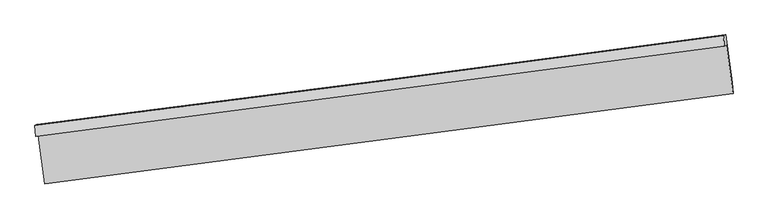
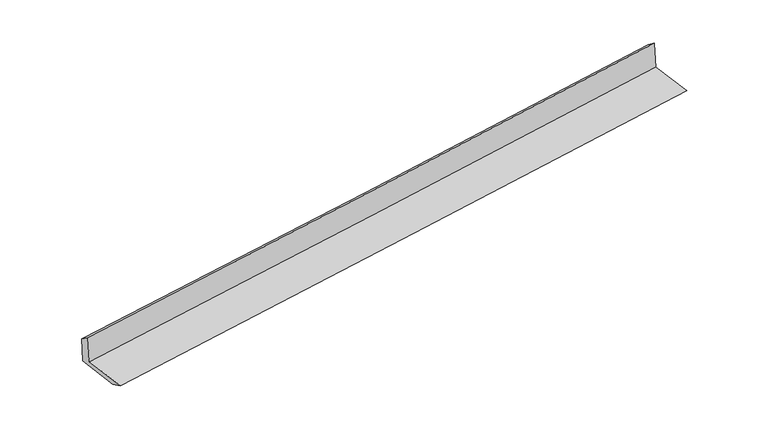
"""IFC4 building model written with IfcOpenShell, lengths in millimetres: proxy geometry."""

from ifc_helpers import new_model, si_unit, frame, origin, place, context, project, spatial, source, transform, mapped, element, save
from ifc_brep_helpers import plane_surface, spline_curve, spline_surface, advanced_brep


def generic_models_030cd66f(model_context):
    return source(origin(), model_context, "Body", "AdvancedBrep", [
        advanced_brep(
        [(-4755.9127778, -2130.1048544, 1911.5465388), (-4725.2308348, -2115.0888086, 1505.3263016), (4692.27904, -876.5990817, 2252.3796302), (4661.5970969, -891.6151276, 2658.5998674), (-4767.5070482, -1979.9688219, 1808.2707326), (4651.3373613, -751.3860911, 2555.058644), (-4739.1598555, -1966.0954259, 1432.9619288), (4679.684554, -737.5126952, 2179.7498403), (-4651.9385594, -2613.587805, 1415.6150422), (4768.2403848, -1394.9120703, 2162.1375366), (-4635.8362985, -2778.7143632, 1487.5471931), (4781.6735763, -1540.2246363, 2234.6005217)],
        [
            (0, 1),
            (1, 2, spline_curve(3, [(-4725.2308348, -2115.0888086, 1505.3263016), (-3159.403143505, -1912.439030235, 1626.071851132), (-1593.914841304, -1708.202979917, 1748.518222721), (1545.258976729, -1295.391114008, 1997.516653528), (3118.940633592, -1086.797254889, 2124.088057868), (4692.27904, -876.5990817, 2252.3796302)], [4, 2, 4], [0.0, 15.585629245449455, 31.259644934351265])),
            (2, 3),
            (3, 0, spline_curve(3, [(4661.5970969, -891.6151276, 2658.5998674), (3088.258690492, -1101.813300789, 2530.308295068), (1514.577033729, -1310.407159808, 2403.736890828), (-1624.596784304, -1723.219025717, 2154.738460021), (-3190.085086505, -1927.455076035, 2032.292088332), (-4755.9127778, -2130.1048544, 1911.5465388)], [4, 2, 4], [0.0, 15.67401568890181, 31.259644934351265])),
            (4, 0),
            (3, 5),
            (5, 4, spline_curve(3, [(4651.3373613, -751.3860911, 2555.058644), (3078.223270995, -963.2494892, 2426.722458572), (1504.541614432, -1171.843348076, 2300.151054317), (-1635.079571477, -1581.334154922, 2051.241598158), (-3201.012718316, -1782.267872718, 1928.883698389), (-4767.5070482, -1979.9688219, 1808.2707326)], [4, 2, 4], [0.0, 15.6740425707795, 31.259698546518592])),
            (6, 4),
            (5, 7),
            (7, 6, spline_curve(3, [(4679.684554, -737.5126952, 2179.7498403), (3106.57046354, -949.376093246, 2051.413655265), (1532.888807065, -1157.969952315, 1924.842250628), (-1606.732378711, -1567.460758684, 1675.932794446), (-3172.665525916, -1768.394477063, 1553.574894525), (-4739.1598555, -1966.0954259, 1432.9619288)], [4, 2, 4], [0.0, 15.674075576641492, 31.25976437212111])),
            (8, 6),
            (7, 9),
            (9, 8, spline_curve(3, [(4768.2403848, -1394.9120703, 2162.1375366), (3195.350610494, -1608.440693276, 2033.756738463), (1621.668954103, -1817.034552151, 1907.185334414), (-1518.39959922, -2223.204299321, 1658.364851688), (-3084.777591007, -2420.83568534, 1536.095424351), (-4651.9385594, -2613.587805, 1415.6150422)], [4, 2, 4], [0.0, 15.674118121348647, 31.259849221624002])),
            (10, 8),
            (9, 11),
            (11, 10, spline_curve(3, [(4781.6735763, -1540.2246363, 2234.6005217), (3208.335169745, -1750.422809547, 2106.308949172), (1634.65351319, -1959.016668286, 1979.737545225), (-1504.520305164, -2371.828534837, 1730.739114225), (-3070.008607046, -2576.064584702, 1608.292742182), (-4635.8362985, -2778.7143632, 1487.5471931)], [4, 2, 4], [0.0, 15.674075651700603, 31.259764521816074])),
            (1, 10),
            (11, 2),
        ],
        [
            spline_surface(3, 3, [[(-4755.9127778, -2130.1048544, 1911.5465388), (-3190.085086453, -1927.455076038, 2032.292088076), (-1624.596784558, -1723.219025945, 2154.738460081), (1514.577033985, -1310.407159578, 2403.736890767), (3088.258690274, -1101.813300761, 2530.308294982), (4661.5970969, -891.6151276, 2658.5998674)], [(-4745.685463459, -2125.099505793, 1776.139793055), (-3179.857772112, -1922.449727431, 1896.885342332), (-1614.369470217, -1718.213677339, 2019.331714337), (1524.804348325, -1305.401810971, 2268.330145023), (3098.486004615, -1096.807952155, 2394.901549237), (4671.824411241, -886.609778993, 2523.193121655)], [(-4735.458149141, -2120.094157207, 1640.733047345), (-3169.630457794, -1917.444378845, 1761.478596621), (-1604.142155899, -1713.208328752, 1883.924968526), (1535.031662644, -1300.396462385, 2132.923399212), (3108.713319033, -1091.802603468, 2259.494803527), (4682.051725659, -881.604430307, 2387.786375945)], [(-4725.2308348, -2115.0888086, 1505.3263016), (-3159.403143453, -1912.439030238, 1626.071850876), (-1593.914841558, -1708.202980145, 1748.518222781), (1545.258976985, -1295.391113778, 1997.516653467), (3118.940633374, -1086.797254861, 2124.088057782), (4692.27904, -876.5990817, 2252.3796302)]], [4, 4], [4, 2, 4], [0.0, 1.337447348344046], [0.0, 15.585629245449455, 31.259644934351265]),
            spline_surface(3, 3, [[(-4767.5070482, -1979.9688219, 1808.2707326), (-3201.012718409, -1782.267872907, 1928.883698413), (-1635.079571603, -1581.334154874, 2051.241597939), (1504.541614559, -1171.843348124, 2300.151054536), (3078.223270948, -963.249489207, 2426.722458751), (4651.3373613, -751.3860911, 2555.058644)], [(-4763.64229142, -2030.014166071, 1842.696001362), (-3197.370174444, -1830.663607288, 1963.353161663), (-1631.585309269, -1628.629111915, 2085.740551975), (1507.886754353, -1218.031285292, 2334.679666602), (3081.568410743, -1009.437426376, 2461.251070816), (4654.757273186, -798.129103251, 2589.572385122)], [(-4759.77753458, -2080.059510229, 1877.121270038), (-3193.727630419, -1879.059341657, 1997.822624827), (-1628.091046893, -1675.924068904, 2120.239506045), (1511.23189419, -1264.219222409, 2369.208278702), (3084.913550479, -1055.625363593, 2495.779682916), (4658.177185014, -844.872115449, 2624.086126278)], [(-4755.9127778, -2130.1048544, 1911.5465388), (-3190.085086453, -1927.455076038, 2032.292088076), (-1624.596784558, -1723.219025945, 2154.738460081), (1514.577033985, -1310.407159578, 2403.736890767), (3088.258690274, -1101.813300761, 2530.308294982), (4661.5970969, -891.6151276, 2658.5998674)]], [4, 4], [4, 2, 4], [0.0, 0.572845636644442], [0.0, 15.585655975739092, 31.259698546518592]),
            spline_surface(3, 3, [[(-4739.1598555, -1966.0954259, 1432.9619288), (-3172.665525709, -1768.394476907, 1553.574894613), (-1606.732378903, -1567.460758874, 1675.932794239), (1532.888807259, -1157.969952124, 1924.842250836), (3106.570463648, -949.376093307, 2051.413655051), (4679.684554, -737.5126952, 2179.7498403)], [(-4748.608919723, -1970.719891216, 1558.064863371), (-3182.114589933, -1773.018942223, 1678.677829184), (-1616.181443127, -1572.08522419, 1801.03572881), (1523.439743036, -1162.59441744, 2049.945185407), (3097.121399425, -954.000558623, 2176.516589622), (4670.235489777, -742.137160516, 2304.852774871)], [(-4758.057983977, -1975.344356584, 1683.167798029), (-3191.563654186, -1777.643407591, 1803.780763842), (-1625.63050738, -1576.709689558, 1926.138663368), (1513.990678782, -1167.218882808, 2175.048119965), (3087.672335171, -958.625023891, 2301.61952418), (4660.786425523, -746.761625784, 2429.955709429)], [(-4767.5070482, -1979.9688219, 1808.2707326), (-3201.012718409, -1782.267872907, 1928.883698413), (-1635.079571603, -1581.334154874, 2051.241597939), (1504.541614559, -1171.843348124, 2300.151054536), (3078.223270948, -963.249489207, 2426.722458751), (4651.3373613, -751.3860911, 2555.058644)]], [4, 4], [4, 2, 4], [0.0, 1.2356739480892454], [0.0, 15.58568879547962, 31.25976437212111]),
            spline_surface(3, 3, [[(-4651.9385594, -2613.587805, 1415.6150422), (-3084.777591166, -2420.835685377, 1536.09542455), (-1518.399599449, -2223.204299303, 1658.364851797), (1621.668954333, -1817.03455217, 1907.185334305), (3195.350610722, -1608.440693353, 2033.756738519), (4768.2403848, -1394.9120703, 2162.1375366)], [(-4681.012324773, -2397.757011985, 1421.397337737), (-3114.073569353, -2203.355282572, 1541.921914575), (-1547.843859268, -2004.623119158, 1664.220832608), (1592.075571974, -1597.346352153, 1913.070973146), (3165.757228364, -1388.752493336, 2039.64237736), (4738.721774533, -1175.778945265, 2168.008304497)], [(-4710.086090127, -2181.926218915, 1427.179633263), (-3143.369547522, -1985.874879712, 1547.748404589), (-1577.288119085, -1786.041939019, 1670.076813428), (1562.482189618, -1377.658152141, 1918.956611995), (3136.163846007, -1169.064293324, 2045.52801621), (4709.203164267, -956.645820235, 2173.879072403)], [(-4739.1598555, -1966.0954259, 1432.9619288), (-3172.665525709, -1768.394476907, 1553.574894613), (-1606.732378903, -1567.460758874, 1675.932794239), (1532.888807259, -1157.969952124, 1924.842250836), (3106.570463648, -949.376093307, 2051.413655051), (4679.684554, -737.5126952, 2179.7498403)]], [4, 4], [4, 2, 4], [0.0, 2.1771162168797247], [0.0, 15.585731100275355, 31.259849221624002]),
            spline_surface(3, 3, [[(-4635.8362985, -2778.7143632, 1487.5471931), (-3070.008607153, -2576.064584838, 1608.292742376), (-1504.520305258, -2371.828534745, 1730.739114381), (1634.653513285, -1959.016668378, 1979.737545067), (3208.335169674, -1750.422809461, 2106.308949282), (4781.6735763, -1540.2246363, 2234.6005217)], [(-4641.203718806, -2723.672177134, 1463.569809469), (-3074.93160183, -2524.321618352, 1584.22696977), (-1509.146736672, -2322.287122939, 1706.614360201), (1630.325326951, -1911.689296317, 1955.553474828), (3204.00698334, -1703.0954374, 2082.124879042), (4777.195845783, -1491.787114275, 2210.446193348)], [(-4646.571139094, -2668.629991066, 1439.592425831), (-3079.854596489, -2472.578651863, 1560.161197157), (-1513.773168035, -2272.745711109, 1682.489605977), (1625.997140667, -1864.361924231, 1931.369404544), (3199.678797056, -1655.768065414, 2057.940808759), (4772.718115317, -1443.349592325, 2186.291864952)], [(-4651.9385594, -2613.587805, 1415.6150422), (-3084.777591166, -2420.835685377, 1536.09542455), (-1518.399599449, -2223.204299303, 1658.364851797), (1621.668954333, -1817.03455217, 1907.185334305), (3195.350610722, -1608.440693353, 2033.756738519), (4768.2403848, -1394.9120703, 2162.1375366)]], [4, 4], [4, 2, 4], [0.0, 0.5344741027393921], [0.0, 15.58568887011547, 31.259764521816074]),
            spline_surface(3, 3, [[(-4725.2308348, -2115.0888086, 1505.3263016), (-3159.403143453, -1912.439030238, 1626.071850876), (-1593.914841558, -1708.202980145, 1748.518222781), (1545.258976985, -1295.391113778, 1997.516653467), (3118.940633374, -1086.797254861, 2124.088057782), (4692.27904, -876.5990817, 2252.3796302)], [(-4695.432656019, -2336.2973268, 1499.399932106), (-3129.604964672, -2133.647548438, 1620.145481383), (-1564.116662777, -1929.411498346, 1742.591853288), (1575.057155765, -1516.599631978, 1991.590283974), (3148.738812155, -1308.005773062, 2118.161688288), (4722.077218781, -1097.8075999, 2246.453260706)], [(-4665.634477281, -2557.505845, 1493.473562594), (-3099.806785934, -2354.856066638, 1614.21911187), (-1534.318484039, -2150.620016545, 1736.665483875), (1604.855334504, -1737.808150178, 1985.663914561), (3178.536990893, -1529.214291261, 2112.235318775), (4751.875397519, -1319.0161181, 2240.526891194)], [(-4635.8362985, -2778.7143632, 1487.5471931), (-3070.008607153, -2576.064584838, 1608.292742376), (-1504.520305258, -2371.828534745, 1730.739114381), (1634.653513285, -1959.016668378, 1979.737545067), (3208.335169674, -1750.422809461, 2106.308949282), (4781.6735763, -1540.2246363, 2234.6005217)]], [4, 4], [4, 2, 4], [0.0, 2.197688564211682], [0.0, 15.585629245449455, 31.259644934351265]),
            plane_surface(frame((4705.8020022, -1032.041617, 2340.4210067), z_axis=(0.9881929974345107, 0.13098646084625368, 0.07948048122885347), x_axis=(-0.13345346834099892, 0.9906996060956393, 0.026541708115779047))),
            plane_surface(frame((-4712.5975624, -2263.9266798, 1593.5446229), z_axis=(-0.9881929974345124, -0.13098646084624155, -0.07948048122885357), x_axis=(-0.07526467703481717, -0.036835275985366206, 0.9964830108104837))),
        ],
        [
            (0, [[1, 2, 3, 4]]),
            (1, [[5, -4, 6, 7]]),
            (2, [[8, -7, 9, 10]]),
            (3, [[11, -10, 12, 13]]),
            (4, [[14, -13, 15, 16]]),
            (5, [[17, -16, 18, -2]]),
            (6, [[-12, -9, -6, -3, -18, -15]]),
            (7, [[-1, -5, -8, -11, -14, -17]]),
        ],
    ),
    ])


if __name__ == "__main__":
    model = new_model("IFC4")
    model_context = context("Model", 3, world=origin())
    ifc_project = project(units=[si_unit("LENGTHUNIT", "METRE", prefix="MILLI")], contexts=[model_context])
    site = spatial("IfcSite", under=ifc_project)
    building = spatial("IfcBuilding", under=site)
    placement = place(None, origin())
    generic_models_shape = generic_models_030cd66f(model_context)
    element("IfcBuildingElementProxy", 1, Name="Generic Models", at=placement, inside=building, context=model_context, shape_type="MappedRepresentation", body=[
        mapped(generic_models_shape, transform((0.0, 0.0, 0.0), x_axis=(1.0, 0.0, 0.0), y_axis=(0.0, 1.0, 0.0), z_axis=(0.0, 0.0, 1.0))),
    ])
    save(model, "model.ifc")
